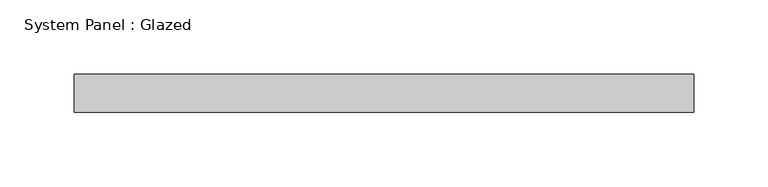
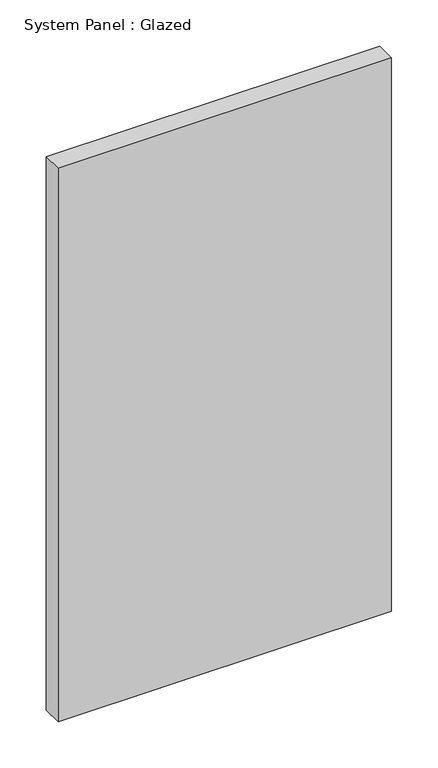
"""IFC4 building model written with IfcOpenShell, lengths in millimetres: plate geometry, System Panel : Glazed."""

from ifc_helpers import new_model, si_unit, origin, origin_with_axes, place, context, project, spatial, polyline, outline, extrude, source, transform, mapped, element, save


def system_panel_glazed_aaf3d184(model_context):
    return source(origin(), model_context, "Body", "SweptSolid", [
        extrude(outline(polyline([(207.9625, -12.7), (-207.9625, -12.7), (-207.9625, 12.7), (207.9625, 12.7), (207.9625, -12.7)])), origin_with_axes(), (0.0, 0.0, 1.0), 730.25),
    ])


if __name__ == "__main__":
    model = new_model("IFC4")
    model_context = context("Model", 3, world=origin())
    ifc_project = project(units=[si_unit("LENGTHUNIT", "METRE", prefix="MILLI")], contexts=[model_context])
    site = spatial("IfcSite", under=ifc_project)
    building = spatial("IfcBuilding", under=site)
    placement = place(None, origin())
    system_panel_glazed_shape = system_panel_glazed_aaf3d184(model_context)
    element("IfcPlate", 1, ObjectType="System Panel : Glazed", at=placement, inside=building, context=model_context, shape_type="MappedRepresentation", body=[
        mapped(system_panel_glazed_shape, transform((0.0, 0.0, 0.0), x_axis=(1.0, 0.0, 0.0), y_axis=(0.0, 1.0, 0.0), z_axis=(0.0, 0.0, 1.0))),
    ])
    save(model, "model.ifc")
